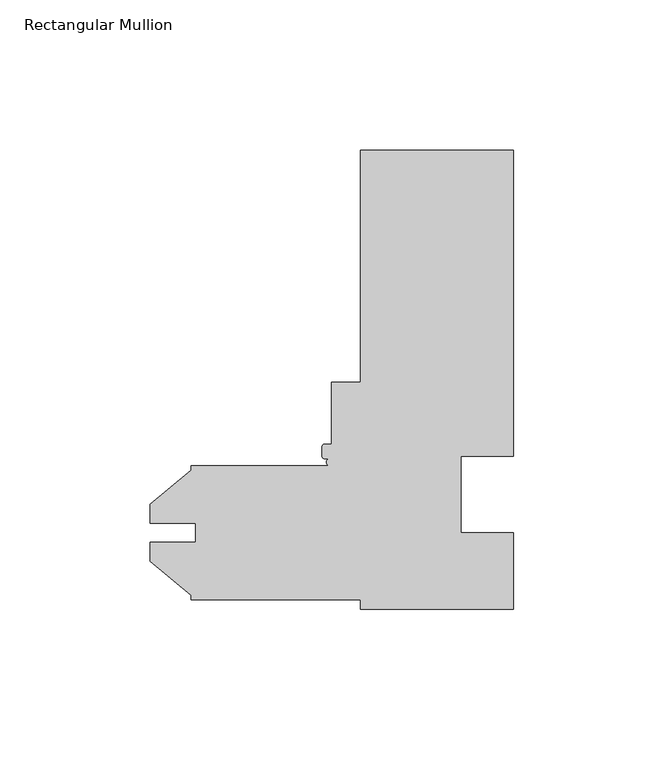
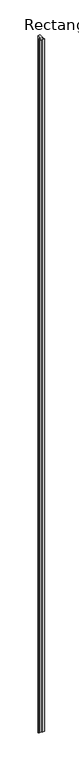
"""IFC4 building model written with IfcOpenShell, lengths in millimetres: member geometry, Rectangular Mullion."""

from ifc_helpers import new_model, si_unit, frame, origin, place, context, project, spatial, circle_curve, source, transform, mapped, element, save
from ifc_brep_helpers import plane_surface, cylinder_surface, advanced_brep


def rectangular_mullion_8f653f17(model_context):
    return source(origin(), model_context, "Body", "AdvancedBrep", [
        advanced_brep(
        [(50.8, 152.4, 0.0), (0.0, 152.4, 0.0), (0.0, 75.4126, 0.0), (-9.525, 75.4126, 0.0), (-9.525, 54.7878, 0.0), (-11.9126, 54.7878, 0.0), (-12.7, 54.0004, 0.0), (-12.7, 50.8, 0.0), (-11.9126, 50.0126, 0.0), (-10.2372266, 50.0126, 0.0), (-10.1142594, 47.63135, 0.0), (-56.35625, 47.625, 0.0), (-56.35625, 46.2257533, 0.0), (-69.81825, 34.929794, 0.0), (-69.81825, 28.5595221, 0.0), (-54.78145, 28.5595221, 0.0), (-54.78145, 22.2353979, 0.0), (-69.81825, 22.2353979, 0.0), (-69.81825, 15.865126, 0.0), (-56.35625, 4.5691667, 0.0), (-56.35625, 3.175, 0.0), (0.0, 3.175, 0.0), (0.0, 0.0, 0.0), (50.8, 0.0, 0.0), (50.8, 25.4, 0.0), (33.3502, 25.4, 0.0), (33.3502, 50.8, 0.0), (50.8, 50.8, 0.0), (50.8, 152.4, -15837.0064664), (50.8, 50.8, -15837.0064664), (33.3502, 50.8, -15837.0064664), (33.3502, 25.4, -15837.0064664), (50.8, 25.4, -15837.0064664), (50.8, 0.0, -15837.0064664), (0.0, 0.0, -15837.0064664), (0.0, 3.175, -15837.0064664), (-56.35625, 3.175, -15837.0064664), (-56.35625, 4.5691667, -15837.0064664), (-69.81825, 15.865126, -15837.0064664), (-69.81825, 22.2353979, -15837.0064664), (-54.78145, 22.2353979, -15837.0064664), (-54.78145, 28.5595221, -15837.0064664), (-69.81825, 28.5595221, -15837.0064664), (-69.81825, 34.929794, -15837.0064664), (-56.35625, 46.2257533, -15837.0064664), (-56.35625, 47.625, -15837.0064664), (-10.1142594, 47.625, -15837.0064664), (-10.2372266, 50.0126, -15837.0064664), (-11.9126, 50.0126, -15837.0064664), (-12.7, 50.8, -15837.0064664), (-12.7, 54.0004, -15837.0064664), (-11.9126, 54.7878, -15837.0064664), (-9.525, 54.7878, -15837.0064664), (-9.525, 75.4126, -15837.0064664), (0.0, 75.4126, -15837.0064664), (0.0, 152.4, -15837.0064664)],
        [
            (0, 1),
            (1, 2),
            (2, 3),
            (3, 4),
            (4, 5),
            (5, 6, circle_curve(frame((-11.9126, 54.0004, 0.0), z_axis=(0.0, 0.0, 1.0), x_axis=(1.0, 0.0, 0.0)), 0.7874)),
            (6, 7),
            (7, 8, circle_curve(frame((-11.9126, 50.8, 0.0), z_axis=(0.0, 0.0, 1.0), x_axis=(1.0, 0.0, 0.0)), 0.7874)),
            (8, 9),
            (9, 10, circle_curve(frame((-10.1142594, 48.82515, 0.0), z_axis=(0.0, 0.0, 1.0), x_axis=(1.0, 0.0, 0.0)), 1.1938)),
            (10, 11),
            (11, 12),
            (12, 13),
            (13, 14),
            (14, 15),
            (15, 16),
            (16, 17),
            (17, 18),
            (18, 19),
            (19, 20),
            (20, 21),
            (21, 22),
            (22, 23),
            (23, 24),
            (24, 25),
            (25, 26),
            (26, 27),
            (27, 0),
            (28, 29),
            (29, 30),
            (30, 31),
            (31, 32),
            (32, 33),
            (33, 34),
            (34, 35),
            (35, 36),
            (36, 37),
            (37, 38),
            (38, 39),
            (39, 40),
            (40, 41),
            (41, 42),
            (42, 43),
            (43, 44),
            (44, 45),
            (45, 46),
            (46, 47, circle_curve(frame((-10.1142594, 48.82515, -15837.0064664), z_axis=(0.0, 0.0, -1.0), x_axis=(1.0, 0.0, 0.0)), 1.1938)),
            (47, 48),
            (48, 49, circle_curve(frame((-11.9126, 50.8, -15837.0064664), z_axis=(0.0, 0.0, -1.0), x_axis=(1.0, 0.0, 0.0)), 0.7874)),
            (49, 50),
            (50, 51, circle_curve(frame((-11.9126, 54.0004, -15837.0064664), z_axis=(0.0, 0.0, -1.0), x_axis=(1.0, 0.0, 0.0)), 0.7874)),
            (51, 52),
            (52, 53),
            (53, 54),
            (54, 55),
            (55, 28),
            (0, 28),
            (55, 1),
            (54, 2),
            (53, 3),
            (52, 4),
            (51, 5),
            (50, 6),
            (49, 7),
            (48, 8),
            (47, 9),
            (46, 10),
            (45, 11),
            (44, 12),
            (43, 13),
            (42, 14),
            (41, 15),
            (40, 16),
            (39, 17),
            (38, 18),
            (37, 19),
            (36, 20),
            (35, 21),
            (34, 22),
            (33, 23),
            (32, 24),
            (31, 25),
            (30, 26),
            (29, 27),
        ],
        [
            plane_surface(frame((0.0, -160.6437051, 0.0), z_axis=(0.0, 0.0, 1.0), x_axis=(-1.0, 0.0, 0.0))),
            plane_surface(frame((0.0, -160.6437051, -15837.0064664), z_axis=(0.0, 0.0, -1.0), x_axis=(-1.0, 0.0, 0.0))),
            plane_surface(frame((50.8, 152.4, 0.0), z_axis=(0.0, 1.0, 0.0), x_axis=(0.0, 0.0, -1.0))),
            plane_surface(frame((0.0, 152.4, 0.0), z_axis=(-1.0, 0.0, 0.0), x_axis=(0.0, 0.0, -1.0))),
            plane_surface(frame((0.0, 75.4126, 0.0), z_axis=(0.0, 1.0, 0.0), x_axis=(0.0, 0.0, -1.0))),
            plane_surface(frame((-9.525, 75.4126, 0.0), z_axis=(-1.0, 0.0, 0.0), x_axis=(0.0, 0.0, -1.0))),
            plane_surface(frame((-9.525, 54.7878, 0.0), z_axis=(0.0, 1.0, 0.0), x_axis=(0.0, 0.0, -1.0))),
            cylinder_surface(frame((-11.9126, 54.0004, 0.0), z_axis=(0.0, 0.0, 1.0), x_axis=(1.0, 0.0, 0.0)), 0.7874),
            plane_surface(frame((-12.7, 54.0004, 0.0), z_axis=(-1.0, 0.0, 0.0), x_axis=(0.0, 0.0, -1.0))),
            cylinder_surface(frame((-11.9126, 50.8, 0.0), z_axis=(0.0, 0.0, 1.0), x_axis=(1.0, 0.0, 0.0)), 0.7874),
            plane_surface(frame((-11.9126, 50.0126, 0.0), z_axis=(0.0, -1.0, 0.0), x_axis=(0.0, 0.0, -1.0))),
            cylinder_surface(frame((-10.1142594, 48.82515, 0.0), z_axis=(0.0, 0.0, 1.0), x_axis=(1.0, 0.0, 0.0)), 1.1938),
            plane_surface(frame((-10.1142594, 47.625, 0.0), z_axis=(0.0, 1.0, 0.0), x_axis=(0.0, 0.0, -1.0))),
            plane_surface(frame((-56.35625, 47.625, 0.0), z_axis=(-1.0, 0.0, 0.0), x_axis=(0.0, 0.0, -1.0))),
            plane_surface(frame((-56.35625, 46.2257533, 0.0), z_axis=(-0.6427876096865325, 0.7660444431189838, 0.0), x_axis=(0.0, 0.0, -1.0))),
            plane_surface(frame((-69.81825, 34.929794, 0.0), z_axis=(-1.0, 0.0, 0.0), x_axis=(0.0, 0.0, -1.0))),
            plane_surface(frame((-69.81825, 28.5595221, 0.0), z_axis=(0.0, -1.0, 0.0), x_axis=(0.0, 0.0, -1.0))),
            plane_surface(frame((-54.78145, 28.5595221, 0.0), z_axis=(-1.0, 0.0, 0.0), x_axis=(0.0, 0.0, -1.0))),
            plane_surface(frame((-54.78145, 22.2353979, 0.0), z_axis=(0.0, 1.0, 0.0), x_axis=(0.0, 0.0, -1.0))),
            plane_surface(frame((-69.81825, 22.2353979, 0.0), z_axis=(-1.0, 0.0, 0.0), x_axis=(0.0, 0.0, -1.0))),
            plane_surface(frame((-69.81825, 15.865126, 0.0), z_axis=(-0.642787609686535, -0.7660444431189818, 0.0), x_axis=(0.0, 0.0, -1.0))),
            plane_surface(frame((-56.35625, 4.5691667, 0.0), z_axis=(-1.0, 0.0, 0.0), x_axis=(0.0, 0.0, -1.0))),
            plane_surface(frame((-56.35625, 3.175, 0.0), z_axis=(0.0, -1.0, 0.0), x_axis=(0.0, 0.0, -1.0))),
            plane_surface(frame((0.0, 3.175, 0.0), z_axis=(-1.0, 1.6426745919406056e-12, 0.0), x_axis=(0.0, 0.0, -1.0))),
            plane_surface(frame((0.0, 0.0, 0.0), z_axis=(0.0, -1.0, 0.0), x_axis=(0.0, 0.0, -1.0))),
            plane_surface(frame((50.8, 0.0, 0.0), z_axis=(1.0, 0.0, 0.0), x_axis=(0.0, 0.0, -1.0))),
            plane_surface(frame((50.8, 25.4, 0.0), z_axis=(0.0, 1.0, 0.0), x_axis=(0.0, 0.0, -1.0))),
            plane_surface(frame((33.3502, 25.4, 0.0), z_axis=(1.0, 0.0, 0.0), x_axis=(0.0, 0.0, -1.0))),
            plane_surface(frame((33.3502, 50.8, 0.0), z_axis=(0.0, -1.0, 0.0), x_axis=(0.0, 0.0, -1.0))),
            plane_surface(frame((50.8, 50.8, 0.0), z_axis=(1.0, 0.0, 0.0), x_axis=(0.0, 0.0, -1.0))),
        ],
        [
            (0, [[1, 2, 3, 4, 5, 6, 7, 8, 9, 10, 11, 12, 13, 14, 15, 16, 17, 18, 19, 20, 21, 22, 23, 24, 25, 26, 27, 28]]),
            (1, [[29, 30, 31, 32, 33, 34, 35, 36, 37, 38, 39, 40, 41, 42, 43, 44, 45, 46, 47, 48, 49, 50, 51, 52, 53, 54, 55, 56]]),
            (2, [[-1, 57, -56, 58]]),
            (3, [[-2, -58, -55, 59]]),
            (4, [[-3, -59, -54, 60]]),
            (5, [[-4, -60, -53, 61]]),
            (6, [[-5, -61, -52, 62]]),
            (7, [[-6, -62, -51, 63]]),
            (8, [[-7, -63, -50, 64]]),
            (9, [[-8, -64, -49, 65]]),
            (10, [[-9, -65, -48, 66]]),
            (11, [[-10, -66, -47, 67]]),
            (12, [[-11, -67, -46, 68]]),
            (13, [[-12, -68, -45, 69]]),
            (14, [[-13, -69, -44, 70]]),
            (15, [[-14, -70, -43, 71]]),
            (16, [[-15, -71, -42, 72]]),
            (17, [[-16, -72, -41, 73]]),
            (18, [[-17, -73, -40, 74]]),
            (19, [[-18, -74, -39, 75]]),
            (20, [[-19, -75, -38, 76]]),
            (21, [[-20, -76, -37, 77]]),
            (22, [[-21, -77, -36, 78]]),
            (23, [[-22, -78, -35, 79]]),
            (24, [[-23, -79, -34, 80]]),
            (25, [[-24, -80, -33, 81]]),
            (26, [[-25, -81, -32, 82]]),
            (27, [[-26, -82, -31, 83]]),
            (28, [[-27, -83, -30, 84]]),
            (29, [[-28, -84, -29, -57]]),
        ],
    ),
    ])


if __name__ == "__main__":
    model = new_model("IFC4")
    model_context = context("Model", 3, world=origin())
    ifc_project = project(units=[si_unit("LENGTHUNIT", "METRE", prefix="MILLI")], contexts=[model_context])
    site = spatial("IfcSite", under=ifc_project)
    building = spatial("IfcBuilding", under=site)
    placement = place(None, origin())
    rectangular_mullion_shape = rectangular_mullion_8f653f17(model_context)
    element("IfcMember", 1, ObjectType="Rectangular Mullion", at=placement, inside=building, context=model_context, shape_type="MappedRepresentation", body=[
        mapped(rectangular_mullion_shape, transform((0.0, 0.0, 0.0), x_axis=(1.0, 0.0, 0.0), y_axis=(0.0, 1.0, 0.0), z_axis=(0.0, 0.0, 1.0))),
    ])
    save(model, "model.ifc")
